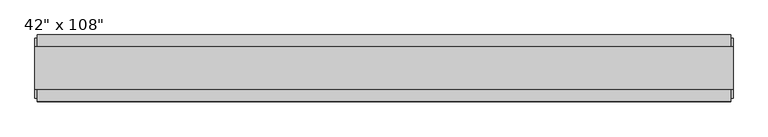
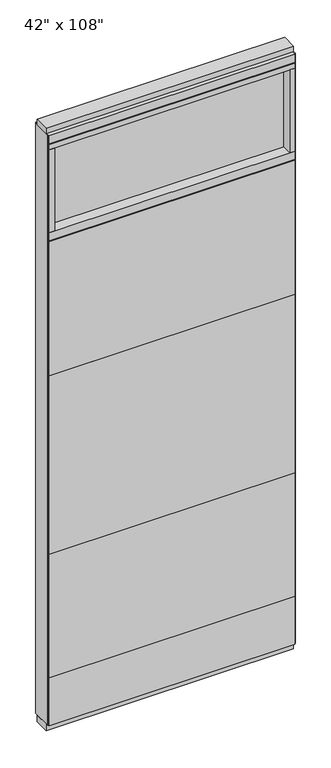
"""IFC4 building model written with IfcOpenShell, lengths in millimetres: furniture geometry."""

from ifc_helpers import new_model, si_unit, frame, origin, origin_with_axes, place, context, project, spatial, polyline, outline, extrude, source, transform, mapped, element, save


def furniture_6f458c28(model_context):
    return source(origin(), model_context, "Body", "SweptSolid", [
        extrude(outline(polyline([(469.4264771, 46.2822784), (469.4264771, 33.5822784), (-589.4995229, 33.5822784), (-589.4995229, 46.2822784), (469.4264771, 46.2822784)])), frame((0.0, 0.0, 1625.6), z_axis=(0.0, 0.0, 1.0), x_axis=(1.0, 0.0, 0.0)), (0.0, 0.0, 1.0), 609.6),
        extrude(outline(polyline([(469.4264771, 46.2822784), (469.4264771, 33.5822784), (-589.4995229, 33.5822784), (-589.4995229, 46.2822784), (469.4264771, 46.2822784)])), frame((0.0, 0.0, 812.8), z_axis=(0.0, 0.0, 1.0), x_axis=(1.0, 0.0, 0.0)), (0.0, 0.0, 1.0), 812.8),
        extrude(outline(polyline([(469.4264771, 46.2822784), (469.4264771, 33.5822784), (-589.4995229, 33.5822784), (-589.4995229, 46.2822784), (469.4264771, 46.2822784)])), frame((0.0, 0.0, 249.936), z_axis=(0.0, 0.0, 1.0), x_axis=(1.0, 0.0, 0.0)), (0.0, 0.0, 1.0), 562.864),
        extrude(outline(polyline([(469.4264771, -55.3177216), (-589.4995229, -55.3177216), (-589.4995229, -42.6177216), (469.4264771, -42.6177216), (469.4264771, -55.3177216)])), frame((0.0, 0.0, 1625.6), z_axis=(0.0, 0.0, 1.0), x_axis=(1.0, 0.0, 0.0)), (0.0, 0.0, 1.0), 609.6),
        extrude(outline(polyline([(469.4264771, -55.3177216), (-589.4995229, -55.3177216), (-589.4995229, -42.6177216), (469.4264771, -42.6177216), (469.4264771, -55.3177216)])), frame((0.0, 0.0, 812.8), z_axis=(0.0, 0.0, 1.0), x_axis=(1.0, 0.0, 0.0)), (0.0, 0.0, 1.0), 812.8),
        extrude(outline(polyline([(469.4264771, -55.3177216), (-589.4995229, -55.3177216), (-589.4995229, -42.6177216), (469.4264771, -42.6177216), (469.4264771, -55.3177216)])), frame((0.0, 0.0, 249.936), z_axis=(0.0, 0.0, 1.0), x_axis=(1.0, 0.0, 0.0)), (0.0, 0.0, 1.0), 562.864),
        extrude(outline(polyline([(469.4264771, 46.2822784), (469.4264771, 33.5822784), (-589.4995229, 33.5822784), (-589.4995229, 46.2822784), (469.4264771, 46.2822784)])), frame((0.0, 0.0, 31.75), z_axis=(0.0, 0.0, 1.0), x_axis=(1.0, 0.0, 0.0)), (0.0, 0.0, 1.0), 218.186),
        extrude(outline(polyline([(469.4264771, -55.3177216), (-589.4995229, -55.3177216), (-589.4995229, -42.6177216), (469.4264771, -42.6177216), (469.4264771, -55.3177216)])), frame((0.0, 0.0, 31.75), z_axis=(0.0, 0.0, 1.0), x_axis=(1.0, 0.0, 0.0)), (0.0, 0.0, 1.0), 218.186),
        extrude(outline(polyline([(447.2014771, -9.5977216), (-567.2745229, -9.5977216), (-567.2745229, 0.5622784), (447.2014771, 0.5622784), (447.2014771, -9.5977216)])), frame((0.0, 0.0, 2276.475), z_axis=(0.0, 0.0, 1.0), x_axis=(1.0, 0.0, 0.0)), (0.0, 0.0, 1.0), 377.825),
        extrude(outline(polyline([(447.2014771, -55.3177216), (447.2014771, 46.2822784), (469.4264771, 46.2822784), (469.4264771, -55.3177216), (447.2014771, -55.3177216)])), frame((0.0, 0.0, 2276.475), z_axis=(0.0, 0.0, 1.0), x_axis=(1.0, 0.0, 0.0)), (0.0, 0.0, 1.0), 377.825),
        extrude(outline(polyline([(-55.3177216, 2240.153), (-55.3177216, 2276.475), (46.2822784, 2276.475), (46.2822784, 2240.153), (41.3292784, 2240.153), (41.3292784, 2235.2), (-50.3647216, 2235.2), (-50.3647216, 2240.153), (-55.3177216, 2240.153)])), frame((-589.4995229, 0.0, 0.0), z_axis=(1.0, 0.0, 0.0), x_axis=(0.0, 1.0, 0.0)), (0.0, 0.0, 1.0), 1058.926),
        extrude(outline(polyline([(-567.2745229, -55.3177216), (-589.4995229, -55.3177216), (-589.4995229, 46.2822784), (-567.2745229, 46.2822784), (-567.2745229, -55.3177216)])), frame((0.0, 0.0, 2276.475), z_axis=(0.0, 0.0, 1.0), x_axis=(1.0, 0.0, 0.0)), (0.0, 0.0, 1.0), 377.825),
        extrude(outline(polyline([(473.3634771, 27.9942784), (473.3634771, -37.0297216), (-593.4365229, -37.0297216), (-593.4365229, 27.9942784), (473.3634771, 27.9942784)])), origin_with_axes(), (0.0, 0.0, 1.0), 31.75),
        extrude(outline(polyline([(-593.4365229, -37.0297216), (-593.4365229, 27.9942784), (473.3634771, 27.9942784), (473.3634771, -37.0297216), (-593.4365229, -37.0297216)])), frame((0.0, 0.0, 2717.8), z_axis=(0.0, 0.0, 1.0), x_axis=(1.0, 0.0, 0.0)), (0.0, 0.0, 1.0), 25.4),
        extrude(outline(polyline([(-55.3177216, 2681.478), (-55.3177216, 2717.8), (46.2822784, 2717.8), (46.2822784, 2681.478), (41.3292784, 2681.478), (41.3292784, 2676.525), (-50.3647216, 2676.525), (-50.3647216, 2681.478), (-55.3177216, 2681.478)])), frame((-589.4995229, 0.0, 0.0), z_axis=(1.0, 0.0, 0.0), x_axis=(0.0, 1.0, 0.0)), (0.0, 0.0, 1.0), 1058.926),
        extrude(outline(polyline([(469.4264771, 46.2822784), (469.4264771, -55.3177216), (-589.4995229, -55.3177216), (-589.4995229, 46.2822784), (469.4264771, 46.2822784)])), frame((0.0, 0.0, 2654.3), z_axis=(0.0, 0.0, 1.0), x_axis=(1.0, 0.0, 0.0)), (0.0, 0.0, 1.0), 22.225),
        extrude(outline(polyline([(473.3634771, -50.3647216), (469.4264771, -50.3647216), (469.4264771, 41.3292784), (473.3634771, 41.3292784), (473.3634771, -50.3647216)])), frame((0.0, 0.0, 31.75), z_axis=(0.0, 0.0, 1.0), x_axis=(1.0, 0.0, 0.0)), (0.0, 0.0, 1.0), 2686.05),
        extrude(outline(polyline([(-593.4365229, -50.3647216), (-593.4365229, 41.3292784), (-589.4995229, 41.3292784), (-589.4995229, -50.3647216), (-593.4365229, -50.3647216)])), frame((0.0, 0.0, 31.75), z_axis=(0.0, 0.0, 1.0), x_axis=(1.0, 0.0, 0.0)), (0.0, 0.0, 1.0), 2686.05),
    ])


if __name__ == "__main__":
    model = new_model("IFC4")
    model_context = context("Model", 3, world=origin())
    ifc_project = project(units=[si_unit("LENGTHUNIT", "METRE", prefix="MILLI")], contexts=[model_context])
    site = spatial("IfcSite", under=ifc_project)
    building = spatial("IfcBuilding", under=site)
    placement = place(None, origin())
    furniture_shape = furniture_6f458c28(model_context)
    element("IfcFurniture", 1, ObjectType="42\" x 108\"", at=placement, inside=building, context=model_context, shape_type="MappedRepresentation", body=[
        mapped(furniture_shape, transform((0.0, 0.0, 0.0), x_axis=(1.0, 0.0, 0.0), y_axis=(0.0, 1.0, 0.0), z_axis=(0.0, 0.0, 1.0))),
    ])
    save(model, "model.ifc")
